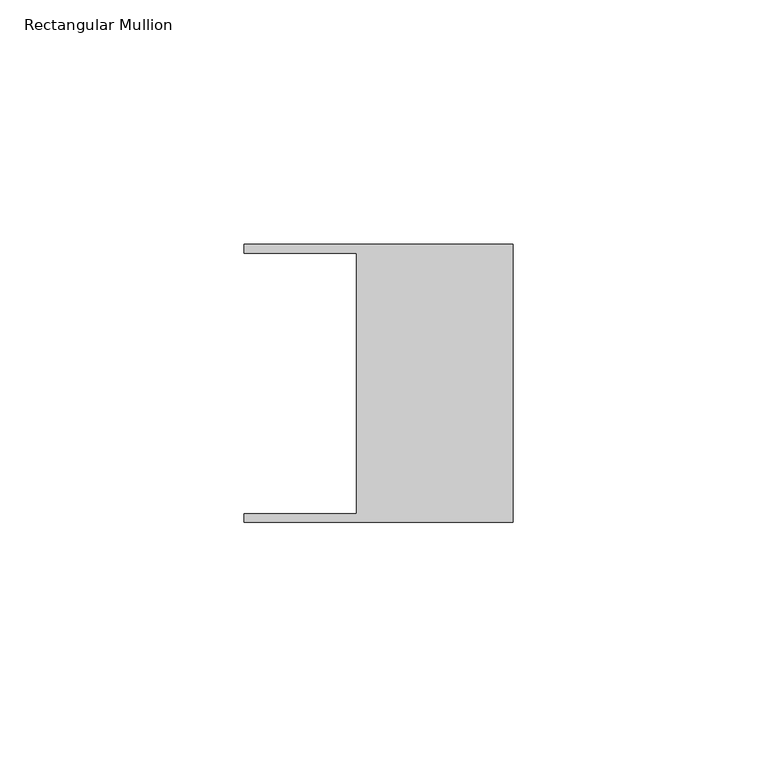
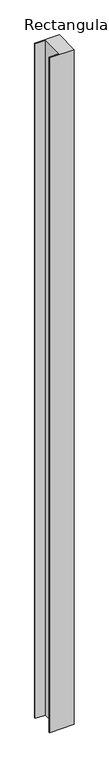
"""IFC4 building model written with IfcOpenShell, lengths in millimetres: member geometry, Rectangular Mullion."""

from ifc_helpers import new_model, si_unit, frame, origin, place, context, project, spatial, polyline, outline, extrude, source, transform, mapped, element, save


def rectangular_mullion_5d804ec4(model_context):
    return source(origin(), model_context, "Body", "SweptSolid", [
        extrude(outline(polyline([(-32.004, -26.67), (-32.004, 26.67), (-54.991, 26.67), (-54.991, 28.448), (0.0, 28.448), (0.0, -28.448), (-54.991, -28.448), (-54.991, -26.67), (-32.004, -26.67)])), frame((0.0, 0.0, -1596.1260148), z_axis=(0.0, 0.0, 1.0), x_axis=(1.0, 0.0, 0.0)), (0.0, 0.0, 1.0), 1596.1260148),
    ])


if __name__ == "__main__":
    model = new_model("IFC4")
    model_context = context("Model", 3, world=origin())
    ifc_project = project(units=[si_unit("LENGTHUNIT", "METRE", prefix="MILLI")], contexts=[model_context])
    site = spatial("IfcSite", under=ifc_project)
    building = spatial("IfcBuilding", under=site)
    placement = place(None, origin())
    rectangular_mullion_shape = rectangular_mullion_5d804ec4(model_context)
    element("IfcMember", 1, ObjectType="Rectangular Mullion", at=placement, inside=building, context=model_context, shape_type="MappedRepresentation", body=[
        mapped(rectangular_mullion_shape, transform((0.0, 0.0, 0.0), x_axis=(1.0, 0.0, 0.0), y_axis=(0.0, 1.0, 0.0), z_axis=(0.0, 0.0, 1.0))),
    ])
    save(model, "model.ifc")
